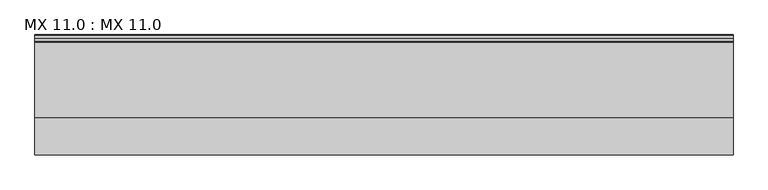
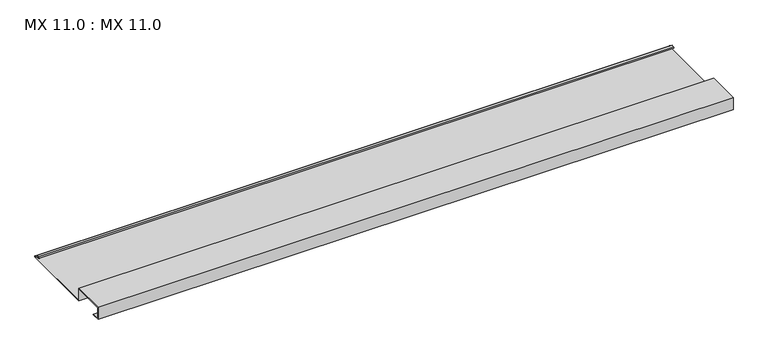
"""IFC4 building model written with IfcOpenShell, lengths in millimetres: proxy geometry, MX 11.0 : MX 11.0."""

import ifcopenshell
import ifcopenshell.guid

model = None  # the IFC model being written
_history = None  # IfcOwnerHistory: only IFC2X3 demands one
_inside = {}  # id of a spatial element -> (the spatial element, [elements in it])
_under = {}  # id of a project, library or spatial element -> (it, [spatial elements below it])
_declared = {}  # id of a project -> (the project, [libraries it declares])
_typed = {}  # id of a type object -> (the type object, [elements of that type])
_made_of = {}  # id of a material, layer set ... -> (it, [elements and type objects made of it])


def new_model(schema):
    """Start an empty IFC model of exactly this schema.

    Asked for "IFC4X3", IfcOpenShell would pick the latest addendum, in which some entities
    have other attributes; the version numbers below select the first issue.
    IFC2X3 requires an IfcOwnerHistory on every rooted entity: one is made here for all.
    """
    global model, _history
    if schema == "IFC4X3":
        model = ifcopenshell.file(schema_version=(4, 3, 0, 0))
    else:
        model = ifcopenshell.file(schema=schema)
    _inside.clear()
    _under.clear()
    _declared.clear()
    _typed.clear()
    _made_of.clear()
    _history = None
    if model.schema == "IFC2X3":
        org = make("IfcOrganization", Name="unknown")
        user = make(
            "IfcPersonAndOrganization",
            ThePerson=make("IfcPerson", FamilyName="unknown"),
            TheOrganization=org,
        )
        app = make(
            "IfcApplication",
            ApplicationDeveloper=org,
            Version="unknown",
            ApplicationFullName="unknown",
            ApplicationIdentifier="unknown",
        )
        _history = make(
            "IfcOwnerHistory",
            OwningUser=user,
            OwningApplication=app,
            ChangeAction="ADDED",
            CreationDate=0,
        )
    return model


def make(cls, **values):
    """One entity of the class cls with the attributes given. An attribute that is None is left unset."""
    return model.create_entity(
        cls, **{name: value for name, value in values.items() if value is not None}
    )


def rooted(cls, **values):
    """An entity with a GlobalId (a new one), such as an element, a storey or a relation."""
    return make(cls, GlobalId=ifcopenshell.guid.new(), OwnerHistory=_history, **values)


def si_unit(unit_type, name, prefix=None):
    """IfcSIUnit, for example si_unit("LENGTHUNIT", "METRE", prefix="MILLI")."""
    return make("IfcSIUnit", UnitType=unit_type, Prefix=prefix, Name=name)


def assignment(units):
    """IfcUnitAssignment: the units of a project."""
    return None if units is None else make("IfcUnitAssignment", Units=units)


def point(xyz):
    """IfcCartesianPoint."""
    return None if xyz is None else make("IfcCartesianPoint", Coordinates=xyz)


def direction(xyz):
    """IfcDirection."""
    return None if xyz is None else make("IfcDirection", DirectionRatios=xyz)


def frame(location, z_axis=None, x_axis=None):
    """IfcAxis2Placement3D, a coordinate frame: its origin and axes. An axis left out is left unset."""
    return make(
        "IfcAxis2Placement3D",
        Location=point(location),
        Axis=direction(z_axis),
        RefDirection=direction(x_axis),
    )


def frame_2d(location, x_axis=None):
    """IfcAxis2Placement2D, a coordinate frame in the plane: its origin and x axis."""
    return make(
        "IfcAxis2Placement2D", Location=point(location), RefDirection=direction(x_axis)
    )


def origin():
    """The frame at (0, 0, 0) with its axes left unset."""
    return frame((0.0, 0.0, 0.0))


def place(relative_to, where):
    """IfcLocalPlacement: puts the frame where relative to a parent placement (None: the world)."""
    return make(
        "IfcLocalPlacement", PlacementRelTo=relative_to, RelativePlacement=where
    )


def context(
    kind, dimensions, precision=None, world=None, true_north=None, identifier=None
):
    """IfcGeometricRepresentationContext, for example the 3D "Model" context."""
    return make(
        "IfcGeometricRepresentationContext",
        ContextIdentifier=identifier,
        ContextType=kind,
        CoordinateSpaceDimension=dimensions,
        Precision=precision,
        WorldCoordinateSystem=world,
        TrueNorth=true_north,
    )


def project(units=None, contexts=None):
    """IfcProject with its units and contexts."""
    return rooted(
        "IfcProject",
        Name="project",
        RepresentationContexts=contexts,
        UnitsInContext=assignment(units),
    )


def spatial(cls, under=None, at=None, **own):
    """A site, building, storey or space (cls), placed at a placement, below another one or the project."""
    s = rooted(cls, ObjectPlacement=at, **own)
    if under is not None:
        _under.setdefault(under.id(), (under, []))[1].append(s)
    return s


def polyline(points):
    """IfcPolyline through the points."""
    return make("IfcPolyline", Points=[point(p) for p in points])


def circle_curve(where, radius):
    """IfcCircle in the frame where."""
    return make("IfcCircle", Position=where, Radius=radius)


def trimmed(basis, trim1, trim2, sense, master):
    """IfcTrimmedCurve: the piece of a basis curve between two trims."""
    return make(
        "IfcTrimmedCurve",
        BasisCurve=basis,
        Trim1=trim1,
        Trim2=trim2,
        SenseAgreement=sense,
        MasterRepresentation=master,
    )


def segment(curve, same_sense, transition):
    """IfcCompositeCurveSegment."""
    return make(
        "IfcCompositeCurveSegment",
        Transition=transition,
        SameSense=same_sense,
        ParentCurve=curve,
    )


def composite_curve(segments, self_intersect=None):
    """IfcCompositeCurve: segments joined end to end."""
    return make("IfcCompositeCurve", Segments=segments, SelfIntersect=self_intersect)


def outline(outer, holes=None, kind="AREA"):
    """IfcArbitraryClosedProfileDef: a profile drawn as a closed curve; with holes, ...WithVoids."""
    if holes is None:
        return make("IfcArbitraryClosedProfileDef", ProfileType=kind, OuterCurve=outer)
    return make(
        "IfcArbitraryProfileDefWithVoids",
        ProfileType=kind,
        OuterCurve=outer,
        InnerCurves=holes,
    )


def extrude(swept, where, along, depth):
    """IfcExtrudedAreaSolid: the profile swept, set in the frame where, extruded along a direction by depth."""
    return make(
        "IfcExtrudedAreaSolid",
        SweptArea=swept,
        Position=where,
        ExtrudedDirection=direction(along),
        Depth=depth,
    )


def shape(context_of_items, identifier, shape_type, items):
    """IfcShapeRepresentation: the items that make up one representation, for example the "Body"."""
    return make(
        "IfcShapeRepresentation",
        ContextOfItems=context_of_items,
        RepresentationIdentifier=identifier,
        RepresentationType=shape_type,
        Items=items,
    )


def source(mapping_origin, context_of_items, identifier, shape_type, items):
    """IfcRepresentationMap: a shape defined once, which mapped items show again and again."""
    return make(
        "IfcRepresentationMap",
        MappingOrigin=mapping_origin,
        MappedRepresentation=shape(context_of_items, identifier, shape_type, items),
    )


def transform(
    local_origin,
    x_axis=None,
    y_axis=None,
    z_axis=None,
    scale=None,
    scale2=None,
    scale3=None,
    uniform=True,
):
    """IfcCartesianTransformationOperator3D, or its non-uniform kind. x_axis, y_axis, z_axis: its Axis1, 2, 3."""
    if uniform:
        return make(
            "IfcCartesianTransformationOperator3D",
            Axis1=direction(x_axis),
            Axis2=direction(y_axis),
            LocalOrigin=point(local_origin),
            Scale=scale,
            Axis3=direction(z_axis),
        )
    return make(
        "IfcCartesianTransformationOperator3DnonUniform",
        Axis1=direction(x_axis),
        Axis2=direction(y_axis),
        LocalOrigin=point(local_origin),
        Scale=scale,
        Axis3=direction(z_axis),
        Scale2=scale2,
        Scale3=scale3,
    )


def mapped(mapping_source, mapping_target):
    """IfcMappedItem: shows the shape of a source again, moved by a transform."""
    return make(
        "IfcMappedItem", MappingSource=mapping_source, MappingTarget=mapping_target
    )


def made_of(thing, what):
    """Note that an element or type object is made of a material, layer set ...; save() writes the relation."""
    if what is not None:
        _made_of.setdefault(what.id(), (what, []))[1].append(thing)
    return thing


def element(
    cls,
    number,
    at=None,
    inside=None,
    cuts=None,
    type_object=None,
    material=None,
    context=None,
    identifier="Body",
    shape_type=None,
    held_by="IfcProductDefinitionShape",
    body=None,
    shapes=None,
    **own,
):
    """One element of the class cls, such as IfcWall. Its Tag is "e" and its number.

    at: its placement. inside: the storey or other place that contains it. cuts: it is an
    opening in that element (IfcRelVoidsElement). A single representation is given by context,
    identifier, shape_type and body (its items); several are given by shapes. held_by: the class
    of the entity that holds the representations. save() writes the other relations.
    """
    e = rooted(cls, Tag="e%d" % number, ObjectPlacement=at, **own)
    if body is not None:
        shapes = [shape(context, identifier, shape_type, body)]
    if shapes is not None:
        e.Representation = make(held_by, Representations=shapes)
    if inside is not None:
        _inside.setdefault(inside.id(), (inside, []))[1].append(e)
    if cuts is not None:
        rooted(
            "IfcRelVoidsElement", RelatingBuildingElement=cuts, RelatedOpeningElement=e
        )
    if type_object is not None:
        _typed.setdefault(type_object.id(), (type_object, []))[1].append(e)
    return made_of(e, material)


def aggregate(whole, parts):
    """IfcRelAggregates: a whole, such as a stair, and the parts it consists of."""
    return rooted("IfcRelAggregates", RelatingObject=whole, RelatedObjects=parts)


def save(model, path):
    """Write the relations noted so far, then the file.

    IfcRelAggregates (storeys below a building ...), IfcRelContainedInSpatialStructure (elements
    in a storey), IfcRelDefinesByType, IfcRelAssociatesMaterial and IfcRelDeclares: one each for
    every whole, place, type object, material and project.
    """
    for whole, parts in _under.values():
        aggregate(whole, parts)
    for where, things in _inside.values():
        rooted(
            "IfcRelContainedInSpatialStructure",
            RelatedElements=things,
            RelatingStructure=where,
        )
    for kind, things in _typed.values():
        rooted("IfcRelDefinesByType", RelatedObjects=things, RelatingType=kind)
    for what, things in _made_of.values():
        rooted("IfcRelAssociatesMaterial", RelatedObjects=things, RelatingMaterial=what)
    for by, libraries in _declared.values():
        rooted("IfcRelDeclares", RelatingContext=by, RelatedDefinitions=libraries)
    model.write(path)


def mx_11_0_mx_11_0_68297fa1(model_context):
    return source(origin(), model_context, "Body", "SweptSolid", [
        extrude(outline(composite_curve([segment(polyline([(0.0, 0.0), (0.0, 38.0), (100.0, 38.0), (100.0, 0.0), (325.0510156, 0.0)]), True, "CONTINUOUS"), segment(trimmed(circle_curve(frame_2d((324.3094696, 1.9153551)), 2.0538928), [point((325.0510156, 0.0))], [point((325.1748462, 3.778041))], True, "CARTESIAN"), True, "CONTINUOUS"), segment(polyline([(325.1748462, 3.778041), (308.7874714, 6.923107)]), True, "CONTINUOUS"), segment(trimmed(circle_curve(frame_2d((309.4078886, 8.6005442)), 1.7884947), [point((308.7874714, 6.923107))], [point((308.9525789, 10.3301125))], False, "CARTESIAN"), True, "CONTINUOUS"), segment(polyline([(308.9525789, 10.3301125), (316.459338, 11.6715995), (316.635255, 10.6871945), (309.1762081, 9.3542338)]), True, "CONTINUOUS"), segment(trimmed(circle_curve(frame_2d((309.4078886, 8.6005442)), 0.7884947), [point((309.1762081, 9.3542338))], [point((309.0735117, 7.8864603))], True, "CARTESIAN"), True, "CONTINUOUS"), segment(polyline([(309.0735117, 7.8864603), (325.4722719, 4.7392091)]), True, "CONTINUOUS"), segment(trimmed(circle_curve(frame_2d((324.3094696, 1.9153551)), 3.0538928), [point((325.4722719, 4.7392091))], [point((325.2188462, -1.0))], False, "CARTESIAN"), True, "CONTINUOUS"), segment(polyline([(325.2188462, -1.0), (99.0, -1.0), (99.0, 37.0), (1.0, 37.0), (1.0, 1.0), (25.0, 1.0), (25.0, 0.0), (0.0, 0.0)]), True, "CONTINUOUS")], self_intersect=False)), frame((0.0, 0.0, 0.0), z_axis=(1.0, 0.0, 0.0), x_axis=(0.0, 1.0, 0.0)), (0.0, 0.0, 1.0), 1900.0),
    ])


if __name__ == "__main__":
    model = new_model("IFC4")
    model_context = context("Model", 3, world=origin())
    ifc_project = project(units=[si_unit("LENGTHUNIT", "METRE", prefix="MILLI")], contexts=[model_context])
    site = spatial("IfcSite", under=ifc_project)
    building = spatial("IfcBuilding", under=site)
    placement = place(None, origin())
    mx_11_0_mx_11_0_shape = mx_11_0_mx_11_0_68297fa1(model_context)
    element("IfcBuildingElementProxy", 1, Name="MX 11.0 : MX 11.0", ObjectType="MX 11.0 : MX 11.0", at=placement, inside=building, context=model_context, shape_type="MappedRepresentation", body=[
        mapped(mx_11_0_mx_11_0_shape, transform((0.0, 0.0, 0.0), x_axis=(1.0, 0.0, 0.0), y_axis=(0.0, 1.0, 0.0), z_axis=(0.0, 0.0, 1.0))),
    ])
    save(model, "model.ifc")
